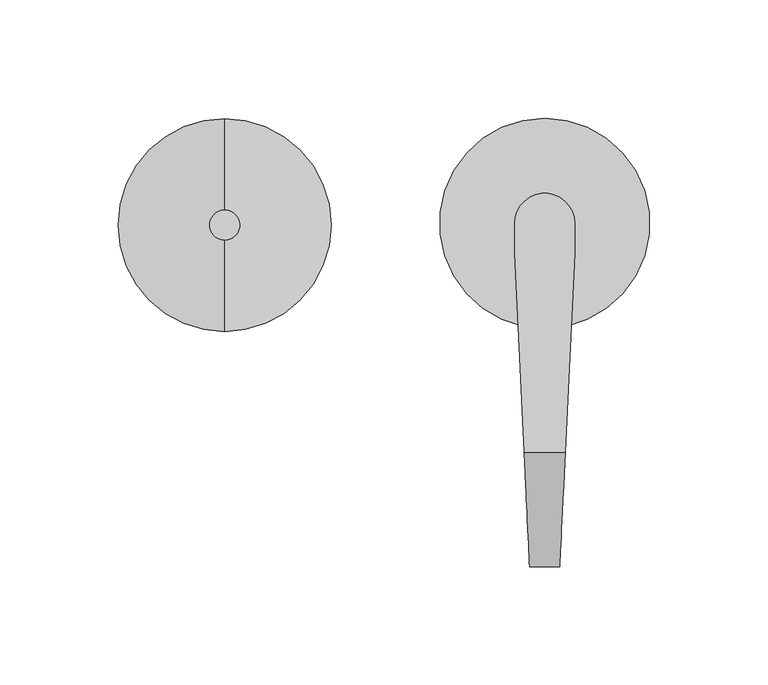
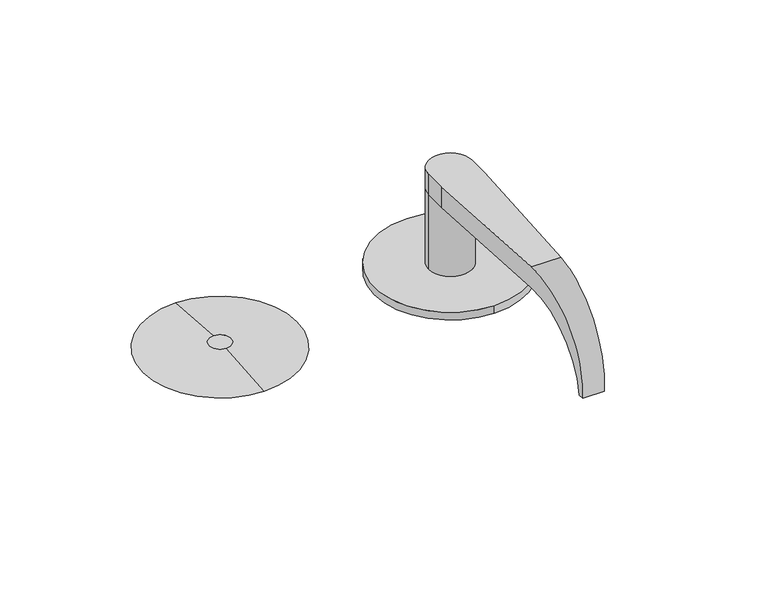
"""IFC4 building model written with IfcOpenShell, lengths in millimetres: proxy geometry."""

from ifc_helpers import new_model, si_unit, frame, origin, place, context, project, spatial, polyline, circle_curve, ellipse_curve, source, transform, mapped, element, save
from ifc_brep_helpers import plane_surface, cylinder_surface, revolved_surface, advanced_brep


def security_devices_2eed66fe(model_context):
    return source(origin(), model_context, "Body", "AdvancedBrep", [
        advanced_brep(
        [(-134.3787, -6.35, 3.175), (-134.3787, 6.35, 3.175), (-134.3787, -45.0088, 0.0), (-134.3787, 45.0088, 0.0)],
        [
            (0, 1, circle_curve(frame((-134.3787, 0.0, 3.175), z_axis=(0.0, 0.0, 1.0), x_axis=(0.0, -1.0, 0.0)), 6.35)),
            (1, 0, circle_curve(frame((-134.3787, 0.0, 3.175), z_axis=(0.0, 0.0, 1.0), x_axis=(0.0, 1.0, 0.0)), 6.35)),
            (2, 3, circle_curve(frame((-134.3787, 0.0, 0.0), z_axis=(0.0, 0.0, -1.0), x_axis=(0.0, 1.0, 0.0)), 45.0088)),
            (3, 2, circle_curve(frame((-134.3787, 0.0, 0.0), z_axis=(0.0, 0.0, -1.0), x_axis=(0.0, -1.0, 0.0)), 45.0088)),
            (3, 1),
            (0, 2),
        ],
        [
            plane_surface(frame((-134.3787, 0.0, 3.175), z_axis=(0.0, 0.0, 1.0), x_axis=(1.0, 0.0, 0.0))),
            plane_surface(frame((-134.3787, 0.0, 0.0), z_axis=(0.0, 0.0, -1.0), x_axis=(1.0, 0.0, 0.0))),
            revolved_surface(polyline([(-134.3787, -6.3499995835972864, 3.175), (-134.3787, -45.0088, 0.0)]), (-134.3787, 0.0, 3.6965177), (0.0, 0.0, -1.0)),
            revolved_surface(polyline([(-134.3787, 6.3499995835972864, 3.175), (-134.3787, 45.0088, 0.0)]), (-134.3787, 0.0, 3.6965177), (0.0, 0.0, -1.0)),
        ],
        [
            (0, [[1, 2]]),
            (1, [[3, 4]]),
            (2, [[-4, 5, -1, 6]]),
            (3, [[-3, -6, -2, -5]]),
        ],
    ),
        advanced_brep(
        [(0.9422676, -43.7299898, 4.7622), (0.9422676, 45.1700102, 4.7622), (13.6502825, 0.7189698, 4.7622), (-11.7497175, 0.7189698, 4.7622), (0.9422676, -43.7299898, -0.0003), (0.9422676, 45.1700102, -0.0003), (-11.7497175, 0.7315259, 50.7997), (-11.7497175, -11.9684741, 50.7997), (-11.7497175, -11.9684741, 63.4997), (-11.7497175, 0.7315259, 63.4997), (13.6502825, -11.9684741, 50.7997), (13.6502825, 0.7315259, 50.7997), (13.6502825, 0.7189698, 63.4997), (13.6502825, -11.9684741, 63.4997), (9.618535, -96.1059741, 50.7997), (-7.71797, -96.1059741, 50.7997), (-7.71797, -96.1059741, 63.4997), (9.618535, -96.1059741, 63.4997), (-5.3997175, -144.4849891, 19.1808168), (-5.3997175, -144.4849891, 10.688597), (7.3002825, -144.4849891, 10.688597), (7.3002825, -144.4849891, 19.1808168), (-5.5533138, -141.2796266, 10.688597), (7.4538789, -141.2796266, 10.688597)],
        [
            (0, 1, circle_curve(frame((0.9422676, 0.7200102, 4.7622), z_axis=(0.0, 0.0, 1.0), x_axis=(0.0, 1.0, 0.0)), 44.45)),
            (1, 0, circle_curve(frame((0.9422676, 0.7200102, 4.7622), z_axis=(0.0, 0.0, 1.0), x_axis=(0.0, 1.0, 0.0)), 44.45)),
            (2, 3, circle_curve(frame((0.9502825, 0.7189698, 4.7622), z_axis=(0.0, 0.0, -1.0), x_axis=(0.0, 1.0, 0.0)), 12.7)),
            (3, 2, circle_curve(frame((0.9502825, 0.7189698, 4.7622), z_axis=(0.0, 0.0, -1.0), x_axis=(0.0, 1.0, 0.0)), 12.7)),
            (4, 5, circle_curve(frame((0.9422676, 0.7200102, -0.0003), z_axis=(0.0, 0.0, -1.0), x_axis=(0.0, 1.0, 0.0)), 44.45)),
            (5, 4, circle_curve(frame((0.9422676, 0.7200102, -0.0003), z_axis=(0.0, 0.0, -1.0), x_axis=(0.0, 1.0, 0.0)), 44.45)),
            (0, 4),
            (5, 1),
            (6, 7),
            (7, 8),
            (8, 9),
            (9, 6),
            (10, 11),
            (11, 12),
            (12, 13),
            (13, 10),
            (6, 11, circle_curve(frame((0.9502825, 0.7189698, 50.7997), z_axis=(0.0, 0.0, 1.0), x_axis=(0.0, 1.0, 0.0)), 12.7)),
            (10, 14),
            (14, 15),
            (15, 7),
            (16, 17),
            (17, 13),
            (12, 9, circle_curve(frame((0.9502825, 0.7189698, 63.4997), z_axis=(0.0, 0.0, 1.0), x_axis=(0.0, 1.0, 0.0)), 12.7)),
            (8, 16),
            (16, 18, ellipse_curve(frame((-7.71797, -96.1059741, 14.9347069), z_axis=(0.9988538794169151, 0.04786363519185428, 0.0), x_axis=(-0.04786363519185472, 0.9988538794169151, 0.0)), 48.6207182, 48.564993)),
            (18, 19, circle_curve(frame((-5.3997175, -96.1059741, 14.9347069), z_axis=(1.0, 0.0, 0.0), x_axis=(0.0, -1.0, 0.0)), 48.564993)),
            (19, 20),
            (20, 21, circle_curve(frame((7.3002825, -96.1059741, 14.9347069), z_axis=(-1.0, 0.0, 0.0), x_axis=(0.0, -1.0, 0.0)), 48.564993)),
            (21, 17, ellipse_curve(frame((9.618535, -96.1059741, 14.9347069), z_axis=(-0.9988538794169147, 0.04786363519186216, 0.0), x_axis=(-0.04786363519185988, -0.9988538794169148, 0.0)), 48.6207182, 48.564993)),
            (19, 22),
            (22, 23),
            (23, 20),
            (22, 15, ellipse_curve(frame((-7.71797, -96.1059741, 5.3065672), z_axis=(-0.9988538794169151, -0.04786363519185428, 0.0), x_axis=(0.04786363519185472, -0.9988538794169151, 0.0)), 45.5453332, 45.4931328)),
            (14, 23, ellipse_curve(frame((9.618535, -96.1059741, 5.3065672), z_axis=(0.9988538794169147, -0.04786363519186216, 0.0), x_axis=(0.04786363519185988, 0.9988538794169148, 0.0)), 45.5453332, 45.4931328)),
            (21, 20),
            (18, 19),
            (6, 3),
            (2, 11),
            (6, 11, circle_curve(frame((0.9502825, 0.7189698, 50.7997), z_axis=(0.0, 0.0, -1.0), x_axis=(0.0, 1.0, 0.0)), 12.7)),
        ],
        [
            plane_surface(frame((0.9422676, 45.1700102, 4.7622), z_axis=(0.0, 0.0, 1.0), x_axis=(-1.0, 0.0, 0.0))),
            plane_surface(frame((0.9422676, 45.1700102, -0.0003), z_axis=(0.0, 0.0, -1.0), x_axis=(1.0, 0.0, 0.0))),
            cylinder_surface(frame((0.9422676, 0.7200102, -0.0003), z_axis=(0.0, 0.0, 1.0), x_axis=(0.0, 1.0, 0.0)), 44.45),
            plane_surface(frame((-11.7497175, -141.5991068, 5.3065672), z_axis=(-1.0, 0.0, 0.0), x_axis=(0.0, 0.0, -1.0))),
            plane_surface(frame((13.6502825, -141.5991068, 5.3065672), z_axis=(1.0, 0.0, 0.0), x_axis=(0.0, 0.0, 1.0))),
            plane_surface(frame((-11.7497175, -24.3071745, 50.7997), z_axis=(0.0, 0.0, -1.0), x_axis=(1.0, 0.0, 0.0))),
            plane_surface(frame((-11.7497175, -96.1059741, 63.4997), z_axis=(0.0, 0.0, 1.0), x_axis=(1.0, 0.0, 0.0))),
            cylinder_surface(frame((13.6502825, -96.1059741, 14.9347069), z_axis=(-1.0, 0.0, 0.0), x_axis=(0.0, -1.0, 0.0)), 48.564993),
            plane_surface(frame((-11.7497175, -141.2796266, 10.688597), z_axis=(0.0, 0.0, -1.0), x_axis=(1.0, 0.0, 0.0))),
            revolved_surface(polyline([(11.798500212976503, -141.59910689999998, 5.3065672), (-9.897935212976272, -141.59910689999998, 5.3065672)]), (13.6502825, -96.1059741, 5.3065672), (1.0, 0.0, 0.0)),
            plane_surface(frame((14.2585473, 0.7252479, 66.7497141), z_axis=(0.9988538794169147, -0.04786363519186216, 0.0), x_axis=(0.0, 0.0, -1.0))),
            plane_surface(frame((7.3002825, -144.4849891, 66.7497141), z_axis=(1.0, 0.0, 0.0), x_axis=(0.0, 0.0, -1.0))),
            plane_surface(frame((-5.3997175, -147.6698877, 66.7497141), z_axis=(-1.0, 0.0, 0.0), x_axis=(0.0, 0.0, -1.0))),
            plane_surface(frame((-5.3997175, -144.4849891, 66.7497141), z_axis=(-0.9988538794169151, -0.04786363519185428, 0.0), x_axis=(0.0, 0.0, -1.0))),
            cylinder_surface(frame((0.9502825, 0.7189698, 4.7622), z_axis=(0.0, 0.0, 1.0), x_axis=(0.0, 1.0, 0.0)), 12.7),
            cylinder_surface(frame((0.9502825, 0.7189698, 50.7997), z_axis=(0.0, 0.0, -1.0), x_axis=(0.0, 1.0, 0.0)), 12.7),
        ],
        [
            (0, [[1, 2], [3, 4]]),
            (1, [[5, 6]]),
            (2, [[-1, 7, -6, 8]]),
            (2, [[-2, -8, -5, -7]]),
            (3, [[9, 10, 11, 12]]),
            (4, [[13, 14, 15, 16]]),
            (5, [[17, -13, 18, 19, 20, -9]]),
            (6, [[21, 22, -15, 23, -11, 24]]),
            (7, [[-21, 25, 26, 27, 28, 29]]),
            (8, [[-27, 30, 31, 32]]),
            (9, [[-31, 33, -19, 34]]),
            (10, [[35, -32, -34, -18, -16, -22, -29]]),
            (11, [[-35, -28]]),
            (12, [[36, -26]]),
            (13, [[-36, -25, -24, -10, -20, -33, -30]]),
            (14, [[-17, 37, -3, 38]]),
            (14, [[-37, 39, -38, -4]]),
            (15, [[-12, -23, -14, -39]]),
        ],
    ),
    ])


if __name__ == "__main__":
    model = new_model("IFC4")
    model_context = context("Model", 3, world=origin())
    ifc_project = project(units=[si_unit("LENGTHUNIT", "METRE", prefix="MILLI")], contexts=[model_context])
    site = spatial("IfcSite", under=ifc_project)
    building = spatial("IfcBuilding", under=site)
    placement = place(None, origin())
    security_devices_shape = security_devices_2eed66fe(model_context)
    element("IfcBuildingElementProxy", 1, Name="Security Devices", at=placement, inside=building, context=model_context, shape_type="MappedRepresentation", body=[
        mapped(security_devices_shape, transform((0.0, 0.0, 0.0), x_axis=(1.0, 0.0, 0.0), y_axis=(0.0, 1.0, 0.0), z_axis=(0.0, 0.0, 1.0))),
    ])
    save(model, "model.ifc")
